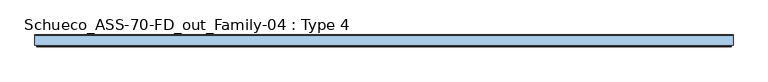
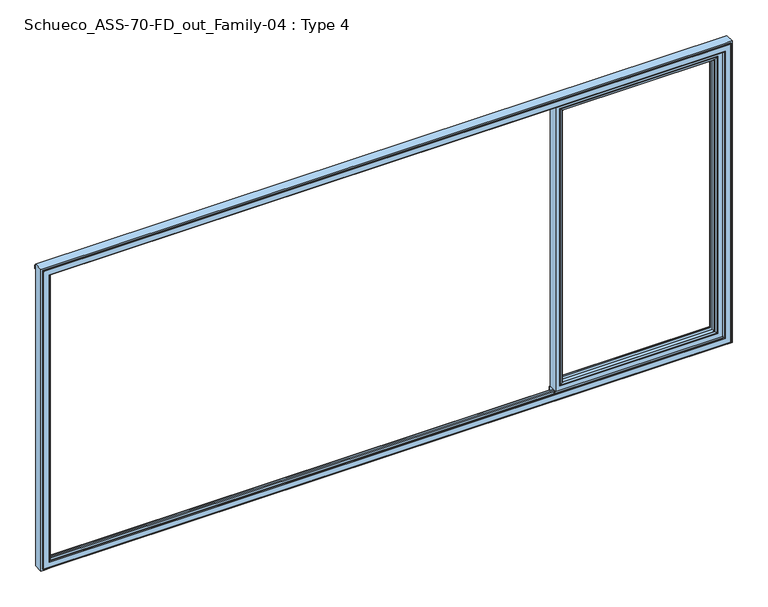
"""IFC4 building model written with IfcOpenShell, lengths in millimetres: window geometry, Schueco_ASS-70-FD_out_Family-04 : Type 4."""

from ifc_helpers import new_model, si_unit, point, frame, frame_2d, origin, place, context, project, spatial, polyline, circle_curve, ellipse_curve, trimmed, segment, composite_curve, outline, extrude, source, transform, mapped, element, save
from ifc_brep_helpers import plane_surface, cylinder_surface, advanced_brep


def schueco_ass_70_fd_out_family_04_type_4_8412dac3(model_context):
    return source(origin(), model_context, "Body", "SolidModel", [
        advanced_brep(
        [(1319.3995728, -64.5552044, 2283.0004272), (1319.3995728, -64.5552044, 128.9995728), (1319.3995728, -37.9928974, 128.9995728), (1319.3995728, -37.9928974, 2283.0004272), (1297.4, -37.9928974, 2305.0), (2480.8, -37.9928974, 2305.0), (2480.8, -37.9928974, 107.0), (1297.4, -37.9928974, 107.0), (2458.8004272, -37.9928974, 2283.0004272), (2458.8004272, -37.9928974, 128.9995728), (2458.8004272, -64.5552044, 128.9995728), (1318.6900293, -65.8045072, 2283.7099707), (1318.6900293, -65.8045072, 128.2900293), (2459.5099707, -65.8045072, 128.2900293), (1303.399939, -70.0, 2299.000061), (1303.399939, -70.0, 112.999939), (2474.800061, -70.0, 112.999939), (2480.8, -70.0, 2305.0), (1297.4, -70.0, 2305.0), (1297.4, -70.0, 107.0), (2480.8, -70.0, 107.0), (2474.800061, -70.0, 2299.000061), (2458.8004272, -64.5552044, 2283.0004272), (2459.5099707, -65.8045072, 2283.7099707)],
        [
            (0, 1),
            (1, 2),
            (2, 3),
            (3, 0),
            (4, 5),
            (5, 6),
            (6, 7),
            (7, 4),
            (8, 3),
            (2, 9),
            (9, 8),
            (1, 10),
            (10, 9),
            (11, 12),
            (12, 1, ellipse_curve(frame((1317.9449688, -64.5552044, 127.5449688), z_axis=(-0.7071067811865475, 0.0, 0.7071067811865475), x_axis=(0.7071067811865474, 0.0, 0.7071067811865476)), 2.0571207, 1.454604)),
            (0, 11, ellipse_curve(frame((1317.9449688, -64.5552044, 2284.4550312), z_axis=(-0.7071067811865475, 0.0, -0.7071067811865475), x_axis=(-0.7071067811865474, 0.0, 0.7071067811865476)), 2.0571207, 1.454604)),
            (12, 13),
            (13, 10, ellipse_curve(frame((2460.2550312, -64.5552044, 127.5449688), z_axis=(-0.7071067811865475, 0.0, -0.7071067811865475), x_axis=(-0.7071067811865476, 0.0, 0.7071067811865474)), 2.0571207, 1.454604)),
            (14, 15),
            (15, 12, ellipse_curve(frame((1303.4638746, -40.2735922, 113.0638746), z_axis=(-0.7071067811865475, 0.0, 0.7071067811865475), x_axis=(0.7071067811865474, 0.0, 0.7071067811865476)), 42.0395863, 29.7264765)),
            (11, 14, ellipse_curve(frame((1303.4638746, -40.2735922, 2298.9361254), z_axis=(-0.7071067811865475, 0.0, -0.7071067811865475), x_axis=(-0.7071067811865474, 0.0, 0.7071067811865476)), 42.0395863, 29.7264765)),
            (15, 16),
            (16, 13, ellipse_curve(frame((2474.7361254, -40.2735922, 113.0638746), z_axis=(-0.7071067811865475, 0.0, -0.7071067811865475), x_axis=(-0.7071067811865476, 0.0, 0.7071067811865474)), 42.0395863, 29.7264765)),
            (17, 18),
            (18, 19),
            (19, 20),
            (20, 17),
            (14, 21),
            (21, 16),
            (7, 19),
            (18, 4),
            (6, 20),
            (10, 22),
            (22, 8),
            (13, 23),
            (23, 22, ellipse_curve(frame((2460.2550312, -64.5552044, 2284.4550312), z_axis=(0.7071067811865475, 0.0, -0.7071067811865475), x_axis=(-0.7071067811865474, 0.0, -0.7071067811865476)), 2.0571207, 1.454604)),
            (21, 23, ellipse_curve(frame((2474.7361254, -40.2735922, 2298.9361254), z_axis=(0.7071067811865475, 0.0, -0.7071067811865475), x_axis=(-0.7071067811865474, 0.0, -0.7071067811865476)), 42.0395863, 29.7264765)),
            (5, 17),
            (22, 0),
            (23, 11),
        ],
        [
            plane_surface(frame((1319.3995728, -37.9928974, 2283.0004272), z_axis=(1.0, 0.0, 0.0), x_axis=(0.0, 0.0, -1.0))),
            plane_surface(frame((2480.8, -37.9928974, 107.0), z_axis=(0.0, 1.0, 0.0), x_axis=(0.0, 0.0, 1.0))),
            plane_surface(frame((1319.3995728, -37.9928974, 128.9995728), z_axis=(0.0, 0.0, 1.0), x_axis=(1.0, 0.0, 0.0))),
            cylinder_surface(frame((1317.9449688, -64.5552044, 2283.0004272), z_axis=(0.0, 0.0, 1.0), x_axis=(-1.0, 0.0, 0.0)), 1.454604),
            cylinder_surface(frame((1319.3995728, -64.5552044, 127.5449688), z_axis=(-1.0, 0.0, 0.0), x_axis=(0.0, 0.0, -1.0)), 1.454604),
            cylinder_surface(frame((1303.4638746, -40.2735922, 2283.0004272), z_axis=(0.0, 0.0, 1.0), x_axis=(-1.0, 0.0, 0.0)), 29.7264765),
            cylinder_surface(frame((1319.3995728, -40.2735922, 113.0638746), z_axis=(-1.0, 0.0, 0.0), x_axis=(0.0, 0.0, -1.0)), 29.7264765),
            plane_surface(frame((2474.800061, -70.0, 112.999939), z_axis=(0.0, -1.0, 0.0), x_axis=(0.0, 0.0, 1.0))),
            plane_surface(frame((1297.4, -70.0, 2305.0), z_axis=(-1.0, 0.0, 0.0), x_axis=(0.0, 0.0, -1.0))),
            plane_surface(frame((1297.4, -70.0, 107.0), z_axis=(0.0, 0.0, -1.0), x_axis=(1.0, 0.0, 0.0))),
            plane_surface(frame((2458.8004272, -37.9928974, 128.9995728), z_axis=(-1.0, 0.0, 0.0), x_axis=(0.0, 0.0, 1.0))),
            cylinder_surface(frame((2460.2550312, -64.5552044, 128.9995728), z_axis=(0.0, 0.0, -1.0), x_axis=(1.0, 0.0, 0.0)), 1.454604),
            cylinder_surface(frame((2474.7361254, -40.2735922, 128.9995728), z_axis=(0.0, 0.0, -1.0), x_axis=(1.0, 0.0, 0.0)), 29.7264765),
            plane_surface(frame((2480.8, -70.0, 107.0), z_axis=(1.0, 0.0, 0.0), x_axis=(0.0, 0.0, 1.0))),
            plane_surface(frame((2458.8004272, -37.9928974, 2283.0004272), z_axis=(0.0, 0.0, -1.0), x_axis=(-1.0, 0.0, 0.0))),
            cylinder_surface(frame((2458.8004272, -64.5552044, 2284.4550312), z_axis=(1.0, 0.0, 0.0), x_axis=(0.0, 0.0, 1.0)), 1.454604),
            cylinder_surface(frame((2458.8004272, -40.2735922, 2298.9361254), z_axis=(1.0, 0.0, 0.0), x_axis=(0.0, 0.0, 1.0)), 29.7264765),
            plane_surface(frame((2480.8, -70.0, 2305.0), z_axis=(0.0, 0.0, 1.0), x_axis=(-1.0, 0.0, 0.0))),
        ],
        [
            (0, [[1, 2, 3, 4]]),
            (1, [[5, 6, 7, 8], [9, -3, 10, 11]]),
            (2, [[12, 13, -10, -2]]),
            (3, [[14, 15, -1, 16]]),
            (4, [[17, 18, -12, -15]]),
            (5, [[19, 20, -14, 21]]),
            (6, [[22, 23, -17, -20]]),
            (7, [[24, 25, 26, 27], [28, 29, -22, -19]]),
            (8, [[-8, 30, -25, 31]]),
            (9, [[-7, 32, -26, -30]]),
            (10, [[33, 34, -11, -13]]),
            (11, [[35, 36, -33, -18]]),
            (12, [[-29, 37, -35, -23]]),
            (13, [[-6, 38, -27, -32]]),
            (14, [[39, -4, -9, -34]]),
            (15, [[40, -16, -39, -36]]),
            (16, [[-28, -21, -40, -37]]),
            (17, [[-5, -31, -24, -38]]),
        ],
    ),
        advanced_brep(
        [(2512.8, -70.0, 2337.0), (2512.8, -70.0, 75.0), (2512.8, 0.0, 75.0), (2512.8, 0.0, 2337.0), (1265.4, -70.0, 75.0), (1265.4, 0.0, 75.0), (1265.4, 0.0, 2337.0), (1314.8991901, 0.0, 124.4991901), (2463.3008099, 0.0, 124.4991901), (2463.3008099, 0.0, 2287.5008099), (1314.8991901, 0.0, 2287.5008099), (1265.4, -70.0, 2337.0), (2480.8, -70.0, 107.0), (1297.4, -70.0, 107.0), (1297.4, -70.0, 2305.0), (2480.8, -70.0, 2305.0), (2480.8, -13.999939, 2305.0), (2480.8, -13.999939, 107.0), (1297.4, -13.999939, 107.0), (1297.4, -13.999939, 2305.0), (2458.8004272, -13.999939, 128.9995728), (1319.3995728, -13.999939, 128.9995728), (1319.3995728, -13.999939, 2283.0004272), (2458.8004272, -13.999939, 2283.0004272), (2458.8004272, -4.5004435, 2283.0004272), (2458.8004272, -4.5004435, 128.9995728), (1319.3995728, -4.5004435, 128.9995728), (1319.3995728, -4.5004435, 2283.0004272)],
        [
            (0, 1),
            (1, 2),
            (2, 3),
            (3, 0),
            (1, 4),
            (4, 5),
            (5, 2),
            (5, 6),
            (6, 3),
            (7, 8),
            (8, 9),
            (9, 10),
            (10, 7),
            (4, 11),
            (11, 6),
            (0, 11),
            (12, 13),
            (13, 14),
            (14, 15),
            (15, 12),
            (16, 17),
            (17, 12),
            (15, 16),
            (17, 18),
            (18, 13),
            (18, 19),
            (19, 14),
            (16, 19),
            (20, 21),
            (21, 22),
            (22, 23),
            (23, 20),
            (24, 25),
            (25, 20),
            (23, 24),
            (25, 26),
            (26, 21),
            (26, 27),
            (27, 22),
            (7, 26, ellipse_curve(frame((1314.8991901, -4.5004435, 124.4991901), z_axis=(0.7071067811865475, 0.0, -0.7071067811865475), x_axis=(0.7071067811865476, 0.0, 0.7071067811865474)), 6.3645023, 4.5003827)),
            (25, 8, ellipse_curve(frame((2463.3008099, -4.5004435, 124.4991901), z_axis=(-0.7071067811865475, 0.0, -0.7071067811865475), x_axis=(0.7071067811865476, 0.0, -0.7071067811865474)), 6.3645023, 4.5003827)),
            (24, 9, ellipse_curve(frame((2463.3008099, -4.5004435, 2287.5008099), z_axis=(0.7071067811865475, 0.0, -0.7071067811865475), x_axis=(0.7071067811865474, 0.0, 0.7071067811865476)), 6.3645023, 4.5003827)),
            (10, 27, ellipse_curve(frame((1314.8991901, -4.5004435, 2287.5008099), z_axis=(-0.7071067811865475, 0.0, -0.7071067811865475), x_axis=(0.7071067811865474, 0.0, -0.7071067811865476)), 6.3645023, 4.5003827)),
            (27, 24),
        ],
        [
            plane_surface(frame((2512.8, 0.0, 2337.0), z_axis=(1.0, 0.0, 0.0), x_axis=(0.0, 0.0, -1.0))),
            plane_surface(frame((2512.8, 0.0, 75.0), z_axis=(0.0, 0.0, -1.0), x_axis=(-1.0, 0.0, 0.0))),
            plane_surface(frame((2463.3008099, 0.0, 2287.5008099), z_axis=(0.0, 1.0, 0.0), x_axis=(0.0, 0.0, -1.0))),
            plane_surface(frame((1265.4, 0.0, 75.0), z_axis=(-1.0, 0.0, 0.0), x_axis=(0.0, 0.0, 1.0))),
            plane_surface(frame((2512.8, -70.0, 2337.0), z_axis=(0.0, -1.0, 0.0), x_axis=(0.0, 0.0, -1.0))),
            plane_surface(frame((2480.8, -70.0, 2305.0), z_axis=(-1.0, 0.0, 0.0), x_axis=(0.0, 0.0, -1.0))),
            plane_surface(frame((2480.8, -70.0, 107.0), z_axis=(0.0, 0.0, 1.0), x_axis=(-1.0, 0.0, 0.0))),
            plane_surface(frame((1297.4, -70.0, 107.0), z_axis=(1.0, 0.0, 0.0), x_axis=(0.0, 0.0, 1.0))),
            plane_surface(frame((2480.8, -13.999939, 2305.0), z_axis=(0.0, -1.0, 0.0), x_axis=(0.0, 0.0, -1.0))),
            plane_surface(frame((2458.8004272, -13.999939, 2283.0004272), z_axis=(-1.0, 0.0, 0.0), x_axis=(0.0, 0.0, -1.0))),
            plane_surface(frame((2458.8004272, -13.999939, 128.9995728), z_axis=(0.0, 0.0, 1.0), x_axis=(-1.0, 0.0, 0.0))),
            plane_surface(frame((1319.3995728, -13.999939, 128.9995728), z_axis=(1.0, 0.0, 0.0), x_axis=(0.0, 0.0, 1.0))),
            cylinder_surface(frame((2518.8, -4.5004435, 124.4991901), z_axis=(1.0, 0.0, 0.0), x_axis=(0.0, -1.0, 0.0)), 4.5003827),
            cylinder_surface(frame((2463.3008099, -4.5004435, 2343.0), z_axis=(0.0, 0.0, 1.0), x_axis=(0.0, -1.0, 0.0)), 4.5003827),
            cylinder_surface(frame((1314.8991901, -4.5004435, 69.0), z_axis=(0.0, 0.0, -1.0), x_axis=(0.0, -1.0, 0.0)), 4.5003827),
            plane_surface(frame((1265.4, 0.0, 2337.0), z_axis=(0.0, 0.0, 1.0), x_axis=(1.0, 0.0, 0.0))),
            plane_surface(frame((1297.4, -70.0, 2305.0), z_axis=(0.0, 0.0, -1.0), x_axis=(1.0, 0.0, 0.0))),
            plane_surface(frame((1319.3995728, -13.999939, 2283.0004272), z_axis=(0.0, 0.0, -1.0), x_axis=(1.0, 0.0, 0.0))),
            cylinder_surface(frame((1259.4, -4.5004435, 2287.5008099), z_axis=(-1.0, 0.0, 0.0), x_axis=(0.0, -1.0, 0.0)), 4.5003827),
        ],
        [
            (0, [[1, 2, 3, 4]]),
            (1, [[5, 6, 7, -2]]),
            (2, [[-7, 8, 9, -3], [10, 11, 12, 13]]),
            (3, [[14, 15, -8, -6]]),
            (4, [[-5, -1, 16, -14], [17, 18, 19, 20]]),
            (5, [[21, 22, -20, 23]]),
            (6, [[24, 25, -17, -22]]),
            (7, [[26, 27, -18, -25]]),
            (8, [[-24, -21, 28, -26], [29, 30, 31, 32]]),
            (9, [[33, 34, -32, 35]]),
            (10, [[36, 37, -29, -34]]),
            (11, [[38, 39, -30, -37]]),
            (12, [[-10, 40, -36, 41]]),
            (13, [[-11, -41, -33, 42]]),
            (14, [[-13, 43, -38, -40]]),
            (15, [[-16, -4, -9, -15]]),
            (16, [[-28, -23, -19, -27]]),
            (17, [[44, -35, -31, -39]]),
            (18, [[-12, -42, -44, -43]]),
        ],
    ),
        extrude(outline(polyline([(2518.8, -70.0), (1259.4, -70.0), (1259.4, -62.3999924), (2518.8, -62.3999924), (2518.8, -70.0)])), frame((0.0, 0.0, 52.9995117), z_axis=(0.0, 0.0, 1.0), x_axis=(1.0, 0.0, 0.0)), (0.0, 0.0, 1.0), 22.0004883),
        extrude(outline(composite_curve([segment(polyline([(0.0, 45.0), (-7.7242502, 45.0), (-7.7242502, 75.0), (0.0, 75.0), (0.0, 52.4754501), (1.8566157, 46.0621453)]), True, "CONTINUOUS"), segment(trimmed(circle_curve(frame_2d((-0.0645022, 45.5059925)), 2.0), [point((1.8566157, 46.0621453))], [point((1.8670103, 44.9870904))], False, "CARTESIAN"), True, "CONTINUOUS"), segment(polyline([(1.8670103, 44.9870904), (0.8737, 41.2896854), (0.0, 41.2896854), (0.0, 45.0)]), True, "CONTINUOUS")], self_intersect=False)), frame((1259.4, 0.0, 0.0), z_axis=(1.0, 0.0, 0.0), x_axis=(0.0, 1.0, 0.0)), (0.0, 0.0, 1.0), 1259.4),
        extrude(outline(composite_curve([segment(polyline([(-17.955674, 2339.1400778), (-1.3636404, 2339.1400778), (0.0, 2342.963961), (0.0, 2348.6420698), (0.8937897, 2348.6420698), (1.8738669, 2344.9939222)]), True, "CONTINUOUS"), segment(trimmed(circle_curve(frame_2d((-0.0576456, 2344.4750201)), 2.0), [point((1.8738669, 2344.9939222))], [point((1.8735116, 2343.9547971))], False, "CARTESIAN"), True, "CONTINUOUS"), segment(polyline([(1.8735116, 2343.9547971), (0.0, 2337.0), (-17.955674, 2337.0), (-17.955674, 2339.1400778)]), True, "CONTINUOUS")], self_intersect=False)), frame((1259.4, 0.0, 0.0), z_axis=(1.0, 0.0, 0.0), x_axis=(0.0, 1.0, 0.0)), (0.0, 0.0, 1.0), 1259.4),
        advanced_brep(
        [(2577.999939, -70.0, 12.000061), (2577.999939, -75.4999847, 12.000061), (-2577.999939, -75.4999847, 12.000061), (-2577.999939, -70.0, 12.000061), (-2565.9997864, -70.0, 12.000061), (-2518.8, -70.0, 12.000061), (2518.8, -70.0, 12.000061), (2565.9997864, -70.0, 12.000061), (2577.999939, -70.0, 2377.999939), (2577.999939, -75.4999847, 2377.999939), (2590.0, -70.0, 0.0), (2590.0, -70.0, 2390.0), (2565.9997864, -70.0, 2390.0), (2518.8, -70.0, 2390.0), (-2518.8, -70.0, 2390.0), (-2565.9997864, -70.0, 2390.0), (-2590.0, -70.0, 2390.0), (-2590.0, -70.0, 0.0), (-2565.9997864, -70.0, 0.0), (-2518.8, -70.0, 0.0), (2518.8, -70.0, 0.0), (2565.9997864, -70.0, 0.0), (-2577.999939, -70.0, 2377.999939), (-2565.9997864, -70.0, 2377.999939), (-2518.8, -70.0, 2377.999939), (2518.8, -70.0, 2377.999939), (2565.9997864, -70.0, 2377.999939), (2573.499939, -79.9999847, 2373.499939), (2573.499939, -79.9999847, 16.500061), (-2573.499939, -79.9999847, 2373.499939), (-2573.499939, -79.9999847, 16.500061), (2532.5000916, -79.9999847, 2332.5000916), (2532.5000916, -79.9999847, 57.4999084), (-2532.5000916, -79.9999847, 57.4999084), (-2532.5000916, -79.9999847, 2332.5000916), (2530.0000916, -77.4999847, 59.9999084), (-2530.0000916, -77.4999847, 59.9999084), (2530.0000916, -77.4999847, 2330.0000916), (2530.0000916, -70.0, 2330.0000916), (2530.0000916, -70.0, 59.9999084), (2518.8, -70.0, 2330.0000916), (2518.8, -70.0, 59.9999084), (-2518.8, -70.0, 59.9999084), (-2530.0000916, -70.0, 59.9999084), (2545.0, -3.5, 45.0), (2545.0, 0.0, 45.0), (2540.0003662, 0.0, 45.0), (2540.0003662, -3.5, 45.0), (-2518.8, 0.0, 45.0), (-2518.8, -3.5, 45.0), (2518.8, -3.5, 45.0), (2518.8, 0.0, 45.0), (-2545.0, 0.0, 45.0), (-2545.0, -3.5, 45.0), (-2540.0003662, -3.5000916, 45.0), (-2540.0003662, 0.0, 45.0), (2545.0, -3.5000916, 2345.0), (2545.0, 0.0, 2345.0), (2540.0003662, -3.5000916, 2345.0), (2590.0, 0.0, 2390.0), (2590.0, 0.0, 0.0), (-2590.0, 0.0, 0.0), (-2590.0, 0.0, 2390.0), (2518.8, 0.0, 2345.0), (-2518.8, 0.0, 2345.0), (2540.0003662, 0.0, 2345.0), (-2545.0, 0.0, 2345.0), (-2540.0003662, 0.0, 2345.0), (-2577.999939, -75.4999847, 2377.999939), (-2530.0000916, -77.4999847, 2330.0000916), (-2530.0000916, -70.0, 2330.0000916), (-2518.8, -70.0, 2330.0000916), (-2545.0, -3.5, 2345.0), (-2540.0003662, -3.5000916, 2345.0), (-2518.8, -70.0, 24.0002136), (2518.8, -70.0, 24.0002136), (-2518.8, -70.0, 2365.9997864), (2518.8, -70.0, 2365.9997864), (-2518.8, -55.8498688, 24.0002136), (-2518.8, -55.8498688, 40.999939), (-2518.8, -46.2499161, 40.999939), (-2518.8, -46.2499161, 24.0002136), (-2518.8, -23.75, 24.0002136), (-2518.8, -23.75, 40.999939), (-2518.8, -14.1500244, 40.999939), (-2518.8, -14.1500244, 24.0002136), (-2518.8, -3.5, 24.0002136), (-2518.8, -3.5, 2345.0), (-2518.8, -3.5, 2365.9997864), (-2518.8, -14.1500244, 2365.9997864), (-2518.8, -14.1500244, 2349.000061), (-2518.8, -23.75, 2349.000061), (-2518.8, -23.75, 2365.9997864), (-2518.8, -46.2499161, 2365.9997864), (-2518.8, -46.2499161, 2349.000061), (-2518.8, -55.8498688, 2349.000061), (-2518.8, -55.8498688, 2365.9997864), (2518.8, -55.8498688, 2365.9997864), (2518.8, -55.8498688, 2349.000061), (2518.8, -46.2499161, 2349.000061), (2518.8, -46.2499161, 2365.9997864), (2518.8, -23.75, 2365.9997864), (2518.8, -23.75, 2349.000061), (2518.8, -14.1500244, 2349.000061), (2518.8, -14.1500244, 2365.9997864), (2518.8, -3.5, 2365.9997864), (2518.8, -3.5, 2345.0), (2518.8, -3.5, 24.0002136), (2518.8, -14.1500244, 24.0002136), (2518.8, -14.1500244, 40.999939), (2518.8, -23.75, 40.999939), (2518.8, -23.75, 24.0002136), (2518.8, -46.2499161, 24.0002136), (2518.8, -46.2499161, 40.999939), (2518.8, -55.8498688, 40.999939), (2518.8, -55.8498688, 24.0002136)],
        [
            (0, 1),
            (1, 2),
            (2, 3),
            (3, 4),
            (4, 5),
            (5, 6),
            (6, 7),
            (7, 0),
            (0, 8),
            (8, 9),
            (9, 1),
            (10, 11),
            (11, 12),
            (12, 13),
            (13, 14),
            (14, 15),
            (15, 16),
            (16, 17),
            (17, 18),
            (18, 19),
            (19, 20),
            (20, 21),
            (21, 10),
            (3, 22),
            (22, 23),
            (23, 24),
            (24, 25),
            (25, 26),
            (26, 8),
            (9, 27, ellipse_curve(frame((2573.499939, -75.4999847, 2373.499939), z_axis=(0.7071067811865451, 0.0, -0.7071067811865498), x_axis=(-0.7071067811865497, 0.0, -0.7071067811865452)), 6.363961, 4.5)),
            (27, 28),
            (28, 1, ellipse_curve(frame((2573.499939, -75.4999847, 16.500061), z_axis=(0.7071067811865498, 0.0, 0.7071067811865451), x_axis=(0.7071067811865451, 0.0, -0.70710678118655)), 6.363961, 4.5)),
            (27, 29),
            (29, 30),
            (30, 28),
            (31, 32),
            (32, 33),
            (33, 34),
            (34, 31),
            (30, 2, ellipse_curve(frame((-2573.499939, -75.4999847, 16.500061), z_axis=(0.7071067811865451, 0.0, -0.7071067811865498), x_axis=(-0.70710678118655, 0.0, -0.7071067811865451)), 6.363961, 4.5)),
            (32, 35, ellipse_curve(frame((2532.5000916, -77.4999847, 57.4999084), z_axis=(-0.7071067811865498, 0.0, -0.7071067811865451), x_axis=(-0.7071067811865452, 0.0, 0.7071067811865497)), 3.5355339, 2.5)),
            (35, 36),
            (36, 33, ellipse_curve(frame((-2532.5000916, -77.4999847, 57.4999084), z_axis=(0.7071067811865451, 0.0, -0.7071067811865498), x_axis=(-0.70710678118655, 0.0, -0.7071067811865451)), 3.5355339, 2.5)),
            (31, 37, ellipse_curve(frame((2532.5000916, -77.4999847, 2332.5000916), z_axis=(0.7071067811865451, 0.0, -0.7071067811865498), x_axis=(-0.7071067811865497, 0.0, -0.7071067811865452)), 3.5355339, 2.5)),
            (37, 35),
            (37, 38),
            (38, 39),
            (39, 35),
            (40, 41),
            (41, 39),
            (38, 40),
            (41, 42),
            (42, 43),
            (43, 36),
            (44, 45),
            (45, 46),
            (46, 47),
            (47, 44),
            (48, 49),
            (49, 50),
            (50, 51),
            (51, 48),
            (52, 53),
            (53, 54),
            (54, 55),
            (55, 52),
            (44, 56),
            (56, 57),
            (57, 45),
            (47, 58),
            (58, 56),
            (59, 60),
            (60, 61),
            (61, 62),
            (62, 59),
            (51, 63),
            (63, 64),
            (64, 48),
            (57, 65),
            (65, 46),
            (66, 52),
            (55, 67),
            (67, 66),
            (60, 10),
            (17, 61),
            (59, 11),
            (68, 22),
            (2, 68),
            (29, 68, ellipse_curve(frame((-2573.499939, -75.4999847, 2373.499939), z_axis=(-0.7071067811865498, 0.0, -0.7071067811865451), x_axis=(-0.7071067811865451, 0.0, 0.70710678118655)), 6.363961, 4.5)),
            (69, 34, ellipse_curve(frame((-2532.5000916, -77.4999847, 2332.5000916), z_axis=(-0.7071067811865498, 0.0, -0.7071067811865451), x_axis=(-0.7071067811865451, 0.0, 0.70710678118655)), 3.5355339, 2.5)),
            (36, 69),
            (70, 69),
            (43, 70),
            (42, 71),
            (71, 70),
            (66, 72),
            (72, 53),
            (73, 54),
            (72, 73),
            (16, 62),
            (74, 42),
            (41, 75),
            (75, 74),
            (71, 76),
            (76, 77),
            (77, 40),
            (40, 71),
            (74, 78),
            (78, 79),
            (79, 80),
            (80, 81),
            (81, 82),
            (82, 83),
            (83, 84),
            (84, 85),
            (85, 86),
            (86, 49),
            (64, 87),
            (87, 88),
            (88, 89),
            (89, 90),
            (90, 91),
            (91, 92),
            (92, 93),
            (93, 94),
            (94, 95),
            (95, 96),
            (96, 76),
            (77, 97),
            (97, 98),
            (98, 99),
            (99, 100),
            (100, 101),
            (101, 102),
            (102, 103),
            (103, 104),
            (104, 105),
            (105, 106),
            (106, 63),
            (50, 107),
            (107, 108),
            (108, 109),
            (109, 110),
            (110, 111),
            (111, 112),
            (112, 113),
            (113, 114),
            (114, 115),
            (115, 75),
            (115, 78),
            (114, 79),
            (95, 98),
            (97, 96),
            (113, 80),
            (112, 81),
            (93, 100),
            (99, 94),
            (111, 82),
            (110, 83),
            (91, 102),
            (101, 92),
            (109, 84),
            (108, 85),
            (89, 104),
            (103, 90),
            (107, 86),
            (87, 106),
            (105, 88),
            (65, 58),
            (73, 67),
            (68, 9),
            (69, 37),
        ],
        [
            plane_surface(frame((-2577.999939, -70.0, 12.000061), z_axis=(0.0, 0.0, -1.0), x_axis=(1.0, 0.0, 0.0))),
            plane_surface(frame((2577.999939, -70.0, 12.000061), z_axis=(1.0, 0.0, 0.0), x_axis=(0.0, 0.0, 1.0))),
            plane_surface(frame((-2590.0, -70.0, 0.0), z_axis=(0.0, -1.0, 0.0), x_axis=(1.0, 0.0, 0.0))),
            cylinder_surface(frame((2573.499939, -75.4999847, 0.0), z_axis=(0.0, 0.0, -1.0), x_axis=(-1.0, 0.0, 0.0)), 4.5),
            plane_surface(frame((-2573.499939, -79.9999847, 16.500061), z_axis=(0.0, -1.0, 0.0), x_axis=(1.0, 0.0, 0.0))),
            cylinder_surface(frame((-2590.0, -75.4999847, 16.500061), z_axis=(-1.0, 0.0, 0.0), x_axis=(0.0, 0.0, 1.0)), 4.5),
            cylinder_surface(frame((-2590.0, -77.4999847, 57.4999084), z_axis=(-1.0, 0.0, 0.0), x_axis=(0.0, 0.0, 1.0)), 2.5),
            cylinder_surface(frame((2532.5000916, -77.4999847, 0.0), z_axis=(0.0, 0.0, -1.0), x_axis=(-1.0, 0.0, 0.0)), 2.5),
            plane_surface(frame((2530.0000916, -77.4999847, 59.9999084), z_axis=(-1.0, 0.0, 0.0), x_axis=(0.0, 0.0, 1.0))),
            plane_surface(frame((2518.8, -70.0, 2390.0), z_axis=(0.0, -1.0, 0.0), x_axis=(0.0, 0.0, -1.0))),
            plane_surface(frame((-2530.0000916, -77.4999847, 59.9999084), z_axis=(0.0, 0.0, 1.0), x_axis=(1.0, 0.0, 0.0))),
            plane_surface(frame((-2545.0, -3.5, 45.0), z_axis=(0.0, 0.0, 1.0), x_axis=(1.0, 0.0, 0.0))),
            plane_surface(frame((2545.0, -3.5, 45.0), z_axis=(-1.0, 0.0, 0.0), x_axis=(0.0, 0.0, 1.0))),
            plane_surface(frame((2565.9997864, -3.5000916, 2390.0), z_axis=(0.0, 1.0, 0.0), x_axis=(0.0, 0.0, -1.0))),
            plane_surface(frame((-2545.0, 0.0, 45.0), z_axis=(0.0, 1.0, 0.0), x_axis=(1.0, 0.0, 0.0))),
            plane_surface(frame((-2590.0, 0.0, 0.0), z_axis=(0.0, 0.0, -1.0), x_axis=(1.0, 0.0, 0.0))),
            plane_surface(frame((2590.0, 0.0, 0.0), z_axis=(1.0, 0.0, 0.0), x_axis=(0.0, 0.0, 1.0))),
            plane_surface(frame((-2577.999939, -70.0, 2377.999939), z_axis=(-1.0, 0.0, 0.0), x_axis=(0.0, 0.0, -1.0))),
            cylinder_surface(frame((-2573.499939, -75.4999847, 2390.0), z_axis=(0.0, 0.0, 1.0), x_axis=(1.0, 0.0, 0.0)), 4.5),
            cylinder_surface(frame((-2532.5000916, -77.4999847, 2390.0), z_axis=(0.0, 0.0, 1.0), x_axis=(1.0, 0.0, 0.0)), 2.5),
            plane_surface(frame((-2530.0000916, -77.4999847, 2330.0000916), z_axis=(1.0, 0.0, 0.0), x_axis=(0.0, 0.0, -1.0))),
            plane_surface(frame((-2565.9997864, -70.0, 2390.0), z_axis=(0.0, -1.0, 0.0), x_axis=(0.0, 0.0, -1.0))),
            plane_surface(frame((-2545.0, -3.5, 2345.0), z_axis=(1.0, 0.0, 0.0), x_axis=(0.0, 0.0, -1.0))),
            plane_surface(frame((-2540.0003662, -3.5000916, 2390.0), z_axis=(0.0, 1.0, 0.0), x_axis=(0.0, 0.0, -1.0))),
            plane_surface(frame((-2590.0, 0.0, 2390.0), z_axis=(-1.0, 0.0, 0.0), x_axis=(0.0, 0.0, -1.0))),
            plane_surface(frame((-2530.0000916, -70.0, 59.9999084), z_axis=(0.0, 1.0, 0.0), x_axis=(1.0, 0.0, 0.0))),
            plane_surface(frame((-2518.8, -70.0, 2390.0), z_axis=(1.0, 0.0, 0.0), x_axis=(0.0, 0.0, -1.0))),
            plane_surface(frame((2518.8, 0.0, 2390.0), z_axis=(-1.0, 0.0, 0.0), x_axis=(0.0, 0.0, -1.0))),
            plane_surface(frame((-2565.9997864, -70.0, 24.0002136), z_axis=(0.0, 0.0, 1.0), x_axis=(1.0, 0.0, 0.0))),
            plane_surface(frame((-2565.9997864, -55.8498688, 24.0002136), z_axis=(0.0, -1.0, 0.0), x_axis=(1.0, 0.0, 0.0))),
            plane_surface(frame((-2549.000061, -55.8498688, 40.999939), z_axis=(0.0, 0.0, 1.0), x_axis=(1.0, 0.0, 0.0))),
            plane_surface(frame((-2549.000061, -46.2499161, 40.999939), z_axis=(0.0, 1.0, 0.0), x_axis=(1.0, 0.0, 0.0))),
            plane_surface(frame((-2565.9997864, -46.2499161, 24.0002136), z_axis=(0.0, 0.0, 1.0), x_axis=(1.0, 0.0, 0.0))),
            plane_surface(frame((-2565.9997864, -23.75, 24.0002136), z_axis=(0.0, -1.0, 0.0), x_axis=(1.0, 0.0, 0.0))),
            plane_surface(frame((-2549.000061, -23.75, 40.999939), z_axis=(0.0, 0.0, 1.0), x_axis=(1.0, 0.0, 0.0))),
            plane_surface(frame((-2549.000061, -14.1500244, 40.999939), z_axis=(0.0, 1.0, 0.0), x_axis=(1.0, 0.0, 0.0))),
            plane_surface(frame((-2565.9997864, -14.1500244, 24.0002136), z_axis=(0.0, 0.0, 1.0), x_axis=(1.0, 0.0, 0.0))),
            plane_surface(frame((-2565.9997864, -3.5, 24.0002136), z_axis=(0.0, -1.0, 0.0), x_axis=(1.0, 0.0, 0.0))),
            plane_surface(frame((2540.0003662, -3.5000916, 2390.0), z_axis=(1.0, 0.0, 0.0), x_axis=(0.0, 0.0, -1.0))),
            plane_surface(frame((-2540.0003662, 0.0, 2390.0), z_axis=(-1.0, 0.0, 0.0), x_axis=(0.0, 0.0, -1.0))),
            plane_surface(frame((2577.999939, -70.0, 2377.999939), z_axis=(0.0, 0.0, 1.0), x_axis=(-1.0, 0.0, 0.0))),
            cylinder_surface(frame((2590.0, -75.4999847, 2373.499939), z_axis=(1.0, 0.0, 0.0), x_axis=(0.0, 0.0, -1.0)), 4.5),
            cylinder_surface(frame((2590.0, -77.4999847, 2332.5000916), z_axis=(1.0, 0.0, 0.0), x_axis=(0.0, 0.0, -1.0)), 2.5),
            plane_surface(frame((2530.0000916, -77.4999847, 2330.0000916), z_axis=(0.0, 0.0, -1.0), x_axis=(-1.0, 0.0, 0.0))),
            plane_surface(frame((2545.0, -3.5, 2345.0), z_axis=(0.0, 0.0, -1.0), x_axis=(-1.0, 0.0, 0.0))),
            plane_surface(frame((2590.0, 0.0, 2390.0), z_axis=(0.0, 0.0, 1.0), x_axis=(-1.0, 0.0, 0.0))),
            plane_surface(frame((2565.9997864, -70.0, 2365.9997864), z_axis=(0.0, 0.0, -1.0), x_axis=(-1.0, 0.0, 0.0))),
            plane_surface(frame((2549.000061, -55.8498688, 2349.000061), z_axis=(0.0, 0.0, -1.0), x_axis=(-1.0, 0.0, 0.0))),
            plane_surface(frame((2565.9997864, -46.2499161, 2365.9997864), z_axis=(0.0, 0.0, -1.0), x_axis=(-1.0, 0.0, 0.0))),
            plane_surface(frame((2549.000061, -23.75, 2349.000061), z_axis=(0.0, 0.0, -1.0), x_axis=(-1.0, 0.0, 0.0))),
            plane_surface(frame((2565.9997864, -14.1500244, 2365.9997864), z_axis=(0.0, 0.0, -1.0), x_axis=(-1.0, 0.0, 0.0))),
        ],
        [
            (0, [[1, 2, 3, 4, 5, 6, 7, 8]]),
            (1, [[-1, 9, 10, 11]]),
            (2, [[12, 13, 14, 15, 16, 17, 18, 19, 20, 21, 22, 23], [-9, -8, -7, -6, -5, -4, 24, 25, 26, 27, 28, 29]]),
            (3, [[-11, 30, 31, 32]]),
            (4, [[-31, 33, 34, 35], [36, 37, 38, 39]]),
            (5, [[-32, -35, 40, -2]]),
            (6, [[41, 42, 43, -37]]),
            (7, [[-41, -36, 44, 45]]),
            (8, [[-45, 46, 47, 48]]),
            (9, [[49, 50, -47, 51]]),
            (10, [[-48, -50, 52, 53, 54, -42]]),
            (11, [[55, 56, 57, 58]]),
            (11, [[59, 60, 61, 62]]),
            (11, [[63, 64, 65, 66]]),
            (12, [[-55, 67, 68, 69]]),
            (13, [[70, 71, -67, -58]]),
            (14, [[72, 73, 74, 75], [-62, 76, 77, 78], [-69, 79, 80, -56], [81, -66, 82, 83]]),
            (15, [[-73, 84, -23, -22, -21, -20, -19, 85]]),
            (16, [[-84, -72, 86, -12]]),
            (17, [[87, -24, -3, 88]]),
            (18, [[89, -88, -40, -34]]),
            (19, [[90, -38, -43, 91]]),
            (20, [[92, -91, -54, 93]]),
            (21, [[94, 95, -93, -53]]),
            (22, [[96, 97, -63, -81]]),
            (23, [[98, -64, -97, 99]]),
            (24, [[100, -74, -85, -18]]),
            (25, [[101, -52, 102, 103]]),
            (25, [[104, 105, 106, 107]]),
            (26, [[-94, -101, 108, 109, 110, 111, 112, 113, 114, 115, 116, 117, -59, -78, 118, 119, 120, 121, 122, 123, 124, 125, 126, 127, 128, -104]]),
            (27, [[-49, -106, 129, 130, 131, 132, 133, 134, 135, 136, 137, 138, 139, -76, -61, 140, 141, 142, 143, 144, 145, 146, 147, 148, 149, -102]]),
            (28, [[-108, -103, -149, 150]]),
            (29, [[-109, -150, -148, 151]]),
            (29, [[-127, 152, -130, 153]]),
            (30, [[-110, -151, -147, 154]]),
            (31, [[-111, -154, -146, 155]]),
            (31, [[-125, 156, -132, 157]]),
            (32, [[-112, -155, -145, 158]]),
            (33, [[-113, -158, -144, 159]]),
            (33, [[-123, 160, -134, 161]]),
            (34, [[-114, -159, -143, 162]]),
            (35, [[-115, -162, -142, 163]]),
            (35, [[-121, 164, -136, 165]]),
            (36, [[-116, -163, -141, 166]]),
            (37, [[-117, -166, -140, -60]]),
            (37, [[-119, 167, -138, 168]]),
            (38, [[-70, -57, -80, 169]]),
            (39, [[-98, 170, -82, -65]]),
            (40, [[-10, -29, -28, -27, -26, -25, -87, 171]]),
            (41, [[-30, -171, -89, -33]]),
            (42, [[-44, -39, -90, 172]]),
            (43, [[-46, -172, -92, -95, -107, -51]]),
            (44, [[-68, -71, -169, -79]]),
            (44, [[-96, -83, -170, -99]]),
            (44, [[-118, -77, -139, -167]]),
            (45, [[-86, -75, -100, -17, -16, -15, -14, -13]]),
            (46, [[-128, -153, -129, -105]]),
            (47, [[-126, -157, -131, -152]]),
            (48, [[-124, -161, -133, -156]]),
            (49, [[-122, -165, -135, -160]]),
            (50, [[-120, -168, -137, -164]]),
        ],
    ),
        extrude(outline(polyline([(7.7224991, 2377.8134468), (7.7224991, 2353.0010125), (0.0, 2353.0010125), (0.0, 2382.2763596), (7.7224991, 2377.8134468)])), frame((-2590.0, 0.0, 0.0), z_axis=(1.0, 0.0, 0.0), x_axis=(0.0, 1.0, 0.0)), (0.0, 0.0, 1.0), 5180.0),
    ])


if __name__ == "__main__":
    model = new_model("IFC4")
    model_context = context("Model", 3, world=origin())
    ifc_project = project(units=[si_unit("LENGTHUNIT", "METRE", prefix="MILLI")], contexts=[model_context])
    site = spatial("IfcSite", under=ifc_project)
    building = spatial("IfcBuilding", under=site)
    placement = place(None, origin())
    schueco_ass_70_fd_out_family_04_type_4_shape = schueco_ass_70_fd_out_family_04_type_4_8412dac3(model_context)
    element("IfcWindow", 1, ObjectType="Schueco_ASS-70-FD_out_Family-04 : Type 4", at=placement, inside=building, context=model_context, shape_type="MappedRepresentation", body=[
        mapped(schueco_ass_70_fd_out_family_04_type_4_shape, transform((0.0, 0.0, 0.0), x_axis=(1.0, 0.0, 0.0), y_axis=(0.0, 1.0, 0.0), z_axis=(0.0, 0.0, 1.0))),
    ])
    save(model, "model.ifc")
